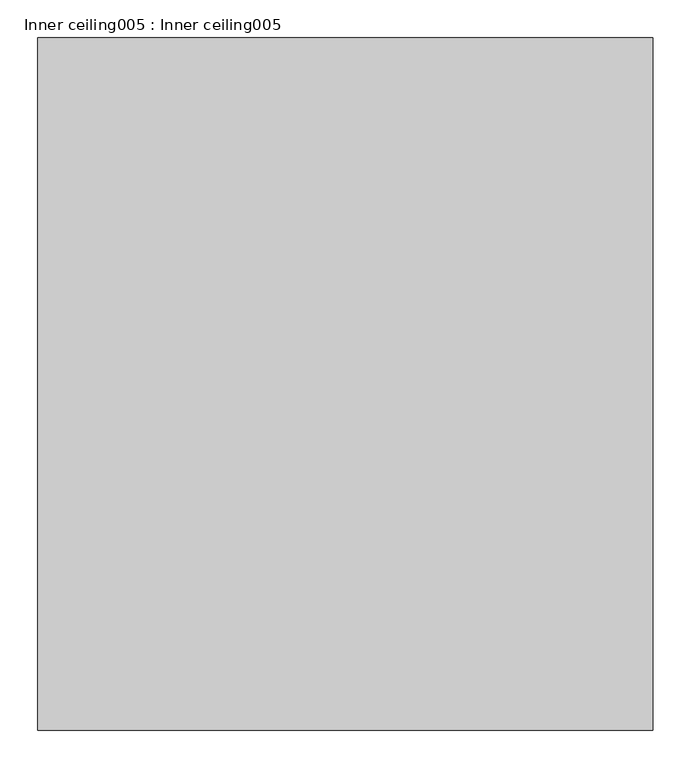
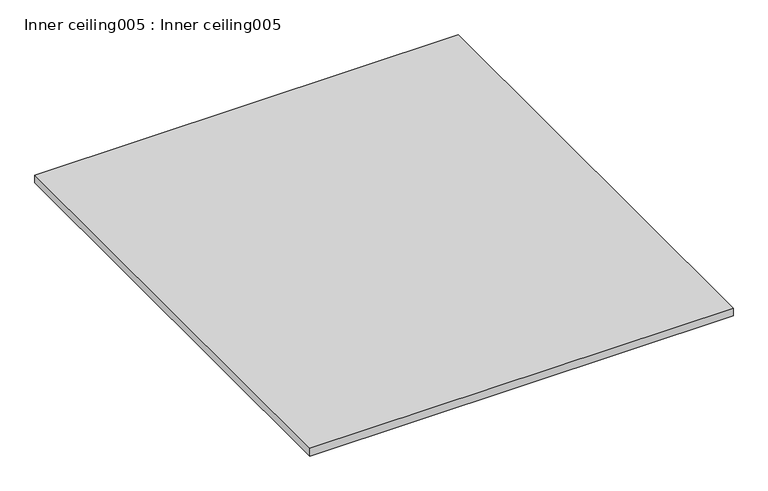
"""IFC4 building model written with IfcOpenShell, lengths in millimetres: proxy geometry, Inner ceiling005 : Inner ceiling005."""

from ifc_helpers import new_model, si_unit, frame, origin, place, context, project, spatial, polyline, outline, extrude, source, transform, mapped, element, save


def inner_ceiling005_inner_ceiling005_1fa7ac29(model_context):
    return source(origin(), model_context, "Body", "SweptSolid", [
        extrude(outline(polyline([(35815.6881373, -25196.3529946), (35002.8881373, -25196.3529946), (35002.8881373, -24281.9529946), (35815.6881373, -24281.9529946), (35815.6881373, -25196.3529946)])), frame((0.0, 0.0, 2870.2), z_axis=(0.0, 0.0, 1.0), x_axis=(1.0, 0.0, 0.0)), (0.0, 0.0, 1.0), 15.875),
    ])


if __name__ == "__main__":
    model = new_model("IFC4")
    model_context = context("Model", 3, world=origin())
    ifc_project = project(units=[si_unit("LENGTHUNIT", "METRE", prefix="MILLI")], contexts=[model_context])
    site = spatial("IfcSite", under=ifc_project)
    building = spatial("IfcBuilding", under=site)
    placement = place(None, origin())
    inner_ceiling005_inner_ceiling005_shape = inner_ceiling005_inner_ceiling005_1fa7ac29(model_context)
    element("IfcBuildingElementProxy", 1, Name="Inner ceiling005 : Inner ceiling005", ObjectType="Inner ceiling005 : Inner ceiling005", at=placement, inside=building, context=model_context, shape_type="MappedRepresentation", body=[
        mapped(inner_ceiling005_inner_ceiling005_shape, transform((0.0, 0.0, 0.0), x_axis=(1.0, 0.0, 0.0), y_axis=(0.0, 1.0, 0.0), z_axis=(0.0, 0.0, 1.0))),
    ])
    save(model, "model.ifc")
